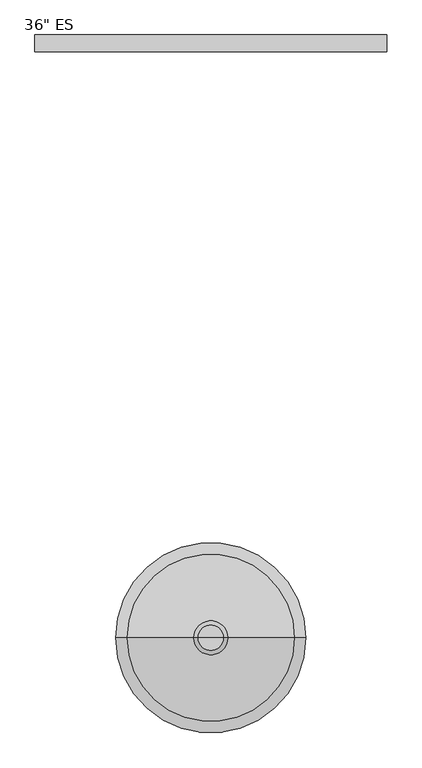
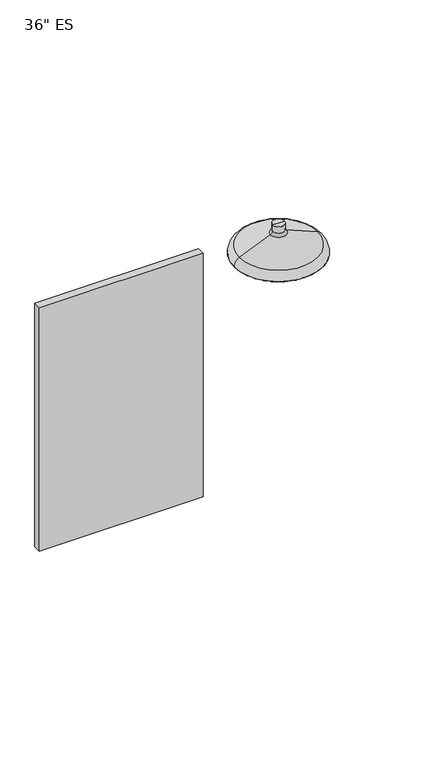
"""IFC4 building model written with IfcOpenShell, lengths in millimetres: flow terminal geometry."""

import ifcopenshell
import ifcopenshell.guid

model = None  # the IFC model being written
_history = None  # IfcOwnerHistory: only IFC2X3 demands one
_inside = {}  # id of a spatial element -> (the spatial element, [elements in it])
_under = {}  # id of a project, library or spatial element -> (it, [spatial elements below it])
_declared = {}  # id of a project -> (the project, [libraries it declares])
_typed = {}  # id of a type object -> (the type object, [elements of that type])
_made_of = {}  # id of a material, layer set ... -> (it, [elements and type objects made of it])


def new_model(schema):
    """Start an empty IFC model of exactly this schema.

    Asked for "IFC4X3", IfcOpenShell would pick the latest addendum, in which some entities
    have other attributes; the version numbers below select the first issue.
    IFC2X3 requires an IfcOwnerHistory on every rooted entity: one is made here for all.
    """
    global model, _history
    if schema == "IFC4X3":
        model = ifcopenshell.file(schema_version=(4, 3, 0, 0))
    else:
        model = ifcopenshell.file(schema=schema)
    _inside.clear()
    _under.clear()
    _declared.clear()
    _typed.clear()
    _made_of.clear()
    _history = None
    if model.schema == "IFC2X3":
        org = make("IfcOrganization", Name="unknown")
        user = make(
            "IfcPersonAndOrganization",
            ThePerson=make("IfcPerson", FamilyName="unknown"),
            TheOrganization=org,
        )
        app = make(
            "IfcApplication",
            ApplicationDeveloper=org,
            Version="unknown",
            ApplicationFullName="unknown",
            ApplicationIdentifier="unknown",
        )
        _history = make(
            "IfcOwnerHistory",
            OwningUser=user,
            OwningApplication=app,
            ChangeAction="ADDED",
            CreationDate=0,
        )
    return model


def make(cls, **values):
    """One entity of the class cls with the attributes given. An attribute that is None is left unset."""
    return model.create_entity(
        cls, **{name: value for name, value in values.items() if value is not None}
    )


def rooted(cls, **values):
    """An entity with a GlobalId (a new one), such as an element, a storey or a relation."""
    return make(cls, GlobalId=ifcopenshell.guid.new(), OwnerHistory=_history, **values)


def si_unit(unit_type, name, prefix=None):
    """IfcSIUnit, for example si_unit("LENGTHUNIT", "METRE", prefix="MILLI")."""
    return make("IfcSIUnit", UnitType=unit_type, Prefix=prefix, Name=name)


def assignment(units):
    """IfcUnitAssignment: the units of a project."""
    return None if units is None else make("IfcUnitAssignment", Units=units)


def point(xyz):
    """IfcCartesianPoint."""
    return None if xyz is None else make("IfcCartesianPoint", Coordinates=xyz)


def direction(xyz):
    """IfcDirection."""
    return None if xyz is None else make("IfcDirection", DirectionRatios=xyz)


def frame(location, z_axis=None, x_axis=None):
    """IfcAxis2Placement3D, a coordinate frame: its origin and axes. An axis left out is left unset."""
    return make(
        "IfcAxis2Placement3D",
        Location=point(location),
        Axis=direction(z_axis),
        RefDirection=direction(x_axis),
    )


def origin():
    """The frame at (0, 0, 0) with its axes left unset."""
    return frame((0.0, 0.0, 0.0))


def place(relative_to, where):
    """IfcLocalPlacement: puts the frame where relative to a parent placement (None: the world)."""
    return make(
        "IfcLocalPlacement", PlacementRelTo=relative_to, RelativePlacement=where
    )


def context(
    kind, dimensions, precision=None, world=None, true_north=None, identifier=None
):
    """IfcGeometricRepresentationContext, for example the 3D "Model" context."""
    return make(
        "IfcGeometricRepresentationContext",
        ContextIdentifier=identifier,
        ContextType=kind,
        CoordinateSpaceDimension=dimensions,
        Precision=precision,
        WorldCoordinateSystem=world,
        TrueNorth=true_north,
    )


def project(units=None, contexts=None):
    """IfcProject with its units and contexts."""
    return rooted(
        "IfcProject",
        Name="project",
        RepresentationContexts=contexts,
        UnitsInContext=assignment(units),
    )


def spatial(cls, under=None, at=None, **own):
    """A site, building, storey or space (cls), placed at a placement, below another one or the project."""
    s = rooted(cls, ObjectPlacement=at, **own)
    if under is not None:
        _under.setdefault(under.id(), (under, []))[1].append(s)
    return s


def polyline(points):
    """IfcPolyline through the points."""
    return make("IfcPolyline", Points=[point(p) for p in points])


def circle_curve(where, radius):
    """IfcCircle in the frame where."""
    return make("IfcCircle", Position=where, Radius=radius)


def ellipse_curve(where, semi_axis1, semi_axis2):
    """IfcEllipse in the frame where."""
    return make(
        "IfcEllipse", Position=where, SemiAxis1=semi_axis1, SemiAxis2=semi_axis2
    )


def trimmed(basis, trim1, trim2, sense, master):
    """IfcTrimmedCurve: the piece of a basis curve between two trims."""
    return make(
        "IfcTrimmedCurve",
        BasisCurve=basis,
        Trim1=trim1,
        Trim2=trim2,
        SenseAgreement=sense,
        MasterRepresentation=master,
    )


def outline(outer, holes=None, kind="AREA"):
    """IfcArbitraryClosedProfileDef: a profile drawn as a closed curve; with holes, ...WithVoids."""
    if holes is None:
        return make("IfcArbitraryClosedProfileDef", ProfileType=kind, OuterCurve=outer)
    return make(
        "IfcArbitraryProfileDefWithVoids",
        ProfileType=kind,
        OuterCurve=outer,
        InnerCurves=holes,
    )


def extrude(swept, where, along, depth):
    """IfcExtrudedAreaSolid: the profile swept, set in the frame where, extruded along a direction by depth."""
    return make(
        "IfcExtrudedAreaSolid",
        SweptArea=swept,
        Position=where,
        ExtrudedDirection=direction(along),
        Depth=depth,
    )


def shape(context_of_items, identifier, shape_type, items):
    """IfcShapeRepresentation: the items that make up one representation, for example the "Body"."""
    return make(
        "IfcShapeRepresentation",
        ContextOfItems=context_of_items,
        RepresentationIdentifier=identifier,
        RepresentationType=shape_type,
        Items=items,
    )


def source(mapping_origin, context_of_items, identifier, shape_type, items):
    """IfcRepresentationMap: a shape defined once, which mapped items show again and again."""
    return make(
        "IfcRepresentationMap",
        MappingOrigin=mapping_origin,
        MappedRepresentation=shape(context_of_items, identifier, shape_type, items),
    )


def transform(
    local_origin,
    x_axis=None,
    y_axis=None,
    z_axis=None,
    scale=None,
    scale2=None,
    scale3=None,
    uniform=True,
):
    """IfcCartesianTransformationOperator3D, or its non-uniform kind. x_axis, y_axis, z_axis: its Axis1, 2, 3."""
    if uniform:
        return make(
            "IfcCartesianTransformationOperator3D",
            Axis1=direction(x_axis),
            Axis2=direction(y_axis),
            LocalOrigin=point(local_origin),
            Scale=scale,
            Axis3=direction(z_axis),
        )
    return make(
        "IfcCartesianTransformationOperator3DnonUniform",
        Axis1=direction(x_axis),
        Axis2=direction(y_axis),
        LocalOrigin=point(local_origin),
        Scale=scale,
        Axis3=direction(z_axis),
        Scale2=scale2,
        Scale3=scale3,
    )


def mapped(mapping_source, mapping_target):
    """IfcMappedItem: shows the shape of a source again, moved by a transform."""
    return make(
        "IfcMappedItem", MappingSource=mapping_source, MappingTarget=mapping_target
    )


def made_of(thing, what):
    """Note that an element or type object is made of a material, layer set ...; save() writes the relation."""
    if what is not None:
        _made_of.setdefault(what.id(), (what, []))[1].append(thing)
    return thing


def element(
    cls,
    number,
    at=None,
    inside=None,
    cuts=None,
    type_object=None,
    material=None,
    context=None,
    identifier="Body",
    shape_type=None,
    held_by="IfcProductDefinitionShape",
    body=None,
    shapes=None,
    **own,
):
    """One element of the class cls, such as IfcWall. Its Tag is "e" and its number.

    at: its placement. inside: the storey or other place that contains it. cuts: it is an
    opening in that element (IfcRelVoidsElement). A single representation is given by context,
    identifier, shape_type and body (its items); several are given by shapes. held_by: the class
    of the entity that holds the representations. save() writes the other relations.
    """
    e = rooted(cls, Tag="e%d" % number, ObjectPlacement=at, **own)
    if body is not None:
        shapes = [shape(context, identifier, shape_type, body)]
    if shapes is not None:
        e.Representation = make(held_by, Representations=shapes)
    if inside is not None:
        _inside.setdefault(inside.id(), (inside, []))[1].append(e)
    if cuts is not None:
        rooted(
            "IfcRelVoidsElement", RelatingBuildingElement=cuts, RelatedOpeningElement=e
        )
    if type_object is not None:
        _typed.setdefault(type_object.id(), (type_object, []))[1].append(e)
    return made_of(e, material)


def aggregate(whole, parts):
    """IfcRelAggregates: a whole, such as a stair, and the parts it consists of."""
    return rooted("IfcRelAggregates", RelatingObject=whole, RelatedObjects=parts)


def save(model, path):
    """Write the relations noted so far, then the file.

    IfcRelAggregates (storeys below a building ...), IfcRelContainedInSpatialStructure (elements
    in a storey), IfcRelDefinesByType, IfcRelAssociatesMaterial and IfcRelDeclares: one each for
    every whole, place, type object, material and project.
    """
    for whole, parts in _under.values():
        aggregate(whole, parts)
    for where, things in _inside.values():
        rooted(
            "IfcRelContainedInSpatialStructure",
            RelatedElements=things,
            RelatingStructure=where,
        )
    for kind, things in _typed.values():
        rooted("IfcRelDefinesByType", RelatedObjects=things, RelatingType=kind)
    for what, things in _made_of.values():
        rooted("IfcRelAssociatesMaterial", RelatedObjects=things, RelatingMaterial=what)
    for by, libraries in _declared.values():
        rooted("IfcRelDeclares", RelatingContext=by, RelatedDefinitions=libraries)
    model.write(path)


def plane_surface(at):
    """IfcPlane: the flat surface through the origin of the frame at, square to its z axis."""
    return make("IfcPlane", Position=at)


def cylinder_surface(at, radius):
    """IfcCylindricalSurface: all points at the distance radius from the z axis of the frame at."""
    return make("IfcCylindricalSurface", Position=at, Radius=radius)


def revolved_surface(curve, axis_point, axis_direction):
    """IfcSurfaceOfRevolution: the curve turned about the line through axis_point along axis_direction."""
    return make(
        "IfcSurfaceOfRevolution",
        SweptCurve=make("IfcArbitraryOpenProfileDef", ProfileType="CURVE", Curve=curve),
        AxisPosition=make("IfcAxis1Placement", Location=point(axis_point), Axis=direction(axis_direction)),
    )


def advanced_brep(points, edges, surfaces, faces):
    """IfcAdvancedBrep: a solid bounded by faces that lie on surfaces and meet in shared edges.

    An edge is (start, end): straight between two places in points (the first is 0);
    or (start, end, curve); or (start, end, curve, False) where it runs against its curve.
    A face is (place in surfaces, loops), or (place, loops, False) where it looks against
    its surface's normal. A loop lists edges by number (the first is 1), with a minus sign
    where the edge is run from its end to its start. The first loop is the outer one.
    """
    corners = [point(p) for p in points]
    vertices = [make("IfcVertexPoint", VertexGeometry=c) for c in corners]
    made = []
    for start, end, *more in edges:
        made.append(
            make(
                "IfcEdgeCurve",
                EdgeStart=vertices[start],
                EdgeEnd=vertices[end],
                EdgeGeometry=more[0] if more else make("IfcPolyline", Points=[corners[start], corners[end]]),
                SameSense=more[1] if len(more) > 1 else True,
            )
        )
    hull = []
    for where, loops, *sense in faces:
        bounds = []
        for j, loop in enumerate(loops):
            ring = [make("IfcOrientedEdge", EdgeElement=made[abs(k) - 1], Orientation=k > 0) for k in loop]
            bounds.append(
                make(
                    "IfcFaceOuterBound" if j == 0 else "IfcFaceBound",
                    Bound=make("IfcEdgeLoop", EdgeList=ring),
                    Orientation=True,
                )
            )
        hull.append(make("IfcAdvancedFace", Bounds=bounds, FaceSurface=surfaces[where], SameSense=sense[0] if sense else True))
    return make("IfcAdvancedBrep", Outer=make("IfcClosedShell", CfsFaces=hull))


def flow_terminal_00ff4c8c(model_context):
    return source(origin(), model_context, "Body", "SolidModel", [
        extrude(outline(polyline([(343.1035015, 913.5215393), (343.1035015, 888.1215393), (-190.2964985, 888.1215393), (-190.2964985, 913.5215393), (343.1035015, 913.5215393)])), frame((0.0, 0.0, 508.0), z_axis=(0.0, 0.0, 1.0), x_axis=(1.0, 0.0, 0.0)), (0.0, 0.0, 1.0), 838.2),
        advanced_brep(
        [(76.2, 0.0, 1981.2), (220.3402814, 0.0, 1981.2), (-67.9402814, 0.0, 1981.2), (95.25, 0.0, 2082.8), (76.2, 0.0, 2082.8), (57.15, 0.0, 2082.8), (95.25, 0.0, 2061.6453064), (57.15, 0.0, 2061.6453064), (102.0050902, 0.0, 2051.4394784), (50.3949098, 0.0, 2051.4394784), (202.8251209, 0.0, 2008.6439144), (-50.4251209, 0.0, 2008.6439144), (220.3402814, 0.0, 1982.1813934), (-67.9402814, 0.0, 1982.1813934)],
        [
            (0, 1),
            (1, 2, circle_curve(frame((76.2, 0.0, 1981.2), z_axis=(0.0, 0.0, -1.0), x_axis=(-1.0, 0.0, 0.0)), 144.1402814)),
            (2, 0),
            (2, 1, circle_curve(frame((76.2, 0.0, 1981.2), z_axis=(0.0, 0.0, -1.0), x_axis=(-1.0, 0.0, 0.0)), 144.1402814)),
            (3, 4),
            (4, 5),
            (5, 3, circle_curve(frame((76.2, 0.0, 2082.8), z_axis=(0.0, 0.0, 1.0), x_axis=(-1.0, 0.0, 0.0)), 19.05)),
            (3, 5, circle_curve(frame((76.2, 0.0, 2082.8), z_axis=(0.0, 0.0, 1.0), x_axis=(-1.0, 0.0, 0.0)), 19.05)),
            (6, 3),
            (5, 7),
            (7, 6, circle_curve(frame((76.2, 0.0, 2061.6453064), z_axis=(0.0, 0.0, 1.0), x_axis=(-1.0, 0.0, 0.0)), 19.05)),
            (6, 7, circle_curve(frame((76.2, 0.0, 2061.6453064), z_axis=(0.0, 0.0, 1.0), x_axis=(-1.0, 0.0, 0.0)), 19.05)),
            (8, 6, circle_curve(frame((106.3372072, 0.0, 2061.6453064), z_axis=(0.0, 1.0, 0.0), x_axis=(-1.0, 0.0, 0.0)), 11.0872072)),
            (7, 9, circle_curve(frame((46.0627928, 0.0, 2061.6453064), z_axis=(0.0, 1.0, 0.0), x_axis=(1.0, 0.0, 0.0)), 11.0872072)),
            (9, 8, circle_curve(frame((76.2, 0.0, 2051.4394784), z_axis=(0.0, 0.0, 1.0), x_axis=(-1.0, 0.0, 0.0)), 25.8050902)),
            (8, 9, circle_curve(frame((76.2, 0.0, 2051.4394784), z_axis=(0.0, 0.0, 1.0), x_axis=(-1.0, 0.0, 0.0)), 25.8050902)),
            (10, 8),
            (9, 11),
            (11, 10, circle_curve(frame((76.2, 0.0, 2008.6439144), z_axis=(0.0, 0.0, 1.0), x_axis=(-1.0, 0.0, 0.0)), 126.6251209)),
            (10, 11, circle_curve(frame((76.2, 0.0, 2008.6439144), z_axis=(0.0, 0.0, 1.0), x_axis=(-1.0, 0.0, 0.0)), 126.6251209)),
            (12, 10, circle_curve(frame((191.5924472, 0.0, 1982.1813934), z_axis=(0.0, -1.0, 0.0), x_axis=(-1.0, 0.0, 0.0)), 28.7478342)),
            (11, 13, circle_curve(frame((-39.1924472, 0.0, 1982.1813934), z_axis=(0.0, -1.0, 0.0), x_axis=(1.0, 0.0, 0.0)), 28.7478342)),
            (13, 12, circle_curve(frame((76.2, 0.0, 1982.1813934), z_axis=(0.0, 0.0, 1.0), x_axis=(-1.0, 0.0, 0.0)), 144.1402814)),
            (12, 13, circle_curve(frame((76.2, 0.0, 1982.1813934), z_axis=(0.0, 0.0, 1.0), x_axis=(-1.0, 0.0, 0.0)), 144.1402814)),
            (1, 12),
            (13, 2),
        ],
        [
            plane_surface(frame((76.2, 0.0, 1981.2), z_axis=(0.0, 0.0, -1.0), x_axis=(-1.0, 0.0, 0.0))),
            plane_surface(frame((76.2, 0.0, 2082.8), z_axis=(0.0, 0.0, 1.0), x_axis=(-1.0, 0.0, 0.0))),
            cylinder_surface(frame((76.2, 0.0, 2003.0453732), z_axis=(0.0, 0.0, -1.0), x_axis=(-1.0, 0.0, 0.0)), 19.05),
            revolved_surface(trimmed(ellipse_curve(frame((46.0627928, 0.0, 2061.6453064), z_axis=(0.0, 1.0, 0.0), x_axis=(1.0, 0.0, 0.0)), 11.0872072, 11.0872072), [point((57.15, 0.0, 2061.6453064))], [point((50.3949098, 0.0, 2051.4394784))], True, "CARTESIAN"), (76.2, 0.0, 2003.0453732), (0.0, 0.0, -1.0)),
            revolved_surface(polyline([(50.3949098, 0.0, 2051.4394784), (-50.4251209, 0.0, 2008.6439144)]), (76.2, 0.0, 2003.0453732), (0.0, 0.0, -1.0)),
            revolved_surface(trimmed(ellipse_curve(frame((-39.1924472, 0.0, 1982.1813934), z_axis=(0.0, -1.0, 0.0), x_axis=(1.0, 0.0, 0.0)), 28.7478342, 28.7478342), [point((-50.4251209, 0.0, 2008.6439144))], [point((-67.9402814, 0.0, 1982.1813934))], True, "CARTESIAN"), (76.2, 0.0, 2003.0453732), (0.0, 0.0, -1.0)),
            cylinder_surface(frame((76.2, 0.0, 2003.0453732), z_axis=(0.0, 0.0, -1.0), x_axis=(-1.0, 0.0, 0.0)), 144.1402814),
        ],
        [
            (0, [[1, 2, 3]]),
            (0, [[-3, 4, -1]]),
            (1, [[5, 6, 7]]),
            (1, [[-6, -5, 8]]),
            (2, [[9, -7, 10, 11]]),
            (2, [[-10, -8, -9, 12]]),
            (3, [[13, -11, 14, 15]]),
            (3, [[-14, -12, -13, 16]]),
            (4, [[17, -15, 18, 19]]),
            (4, [[-18, -16, -17, 20]]),
            (5, [[21, -19, 22, 23]]),
            (5, [[-22, -20, -21, 24]]),
            (6, [[25, -23, 26, -2]]),
            (6, [[-26, -24, -25, -4]]),
        ],
    ),
    ])


if __name__ == "__main__":
    model = new_model("IFC4")
    model_context = context("Model", 3, world=origin())
    ifc_project = project(units=[si_unit("LENGTHUNIT", "METRE", prefix="MILLI")], contexts=[model_context])
    site = spatial("IfcSite", under=ifc_project)
    building = spatial("IfcBuilding", under=site)
    placement = place(None, origin())
    flow_terminal_shape = flow_terminal_00ff4c8c(model_context)
    element("IfcFlowTerminal", 1, ObjectType="36\" ES", at=placement, inside=building, context=model_context, shape_type="MappedRepresentation", body=[
        mapped(flow_terminal_shape, transform((0.0, 0.0, 0.0), x_axis=(1.0, 0.0, 0.0), y_axis=(0.0, 1.0, 0.0), z_axis=(0.0, 0.0, 1.0))),
    ])
    save(model, "model.ifc")
